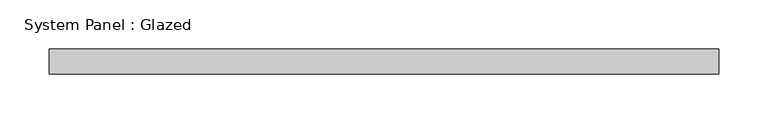
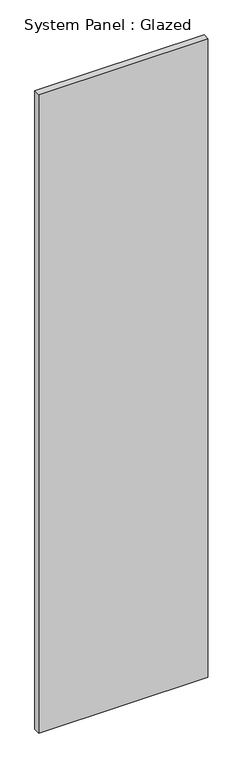
"""IFC4 building model written with IfcOpenShell, lengths in millimetres: plate geometry, System Panel : Glazed."""

from ifc_helpers import new_model, si_unit, origin, origin_with_axes, place, context, project, spatial, polyline, outline, extrude, source, transform, mapped, element, save


def system_panel_glazed_7c26079b(model_context):
    return source(origin(), model_context, "Body", "SweptSolid", [
        extrude(outline(polyline([(339.725, 19.05), (-339.725, 19.05), (-339.725, 44.45), (339.725, 44.45), (339.725, 19.05)])), origin_with_axes(), (0.0, 0.0, 1.0), 2711.45),
    ])


if __name__ == "__main__":
    model = new_model("IFC4")
    model_context = context("Model", 3, world=origin())
    ifc_project = project(units=[si_unit("LENGTHUNIT", "METRE", prefix="MILLI")], contexts=[model_context])
    site = spatial("IfcSite", under=ifc_project)
    building = spatial("IfcBuilding", under=site)
    placement = place(None, origin())
    system_panel_glazed_shape = system_panel_glazed_7c26079b(model_context)
    element("IfcPlate", 1, ObjectType="System Panel : Glazed", at=placement, inside=building, context=model_context, shape_type="MappedRepresentation", body=[
        mapped(system_panel_glazed_shape, transform((0.0, 0.0, 0.0), x_axis=(1.0, 0.0, 0.0), y_axis=(0.0, 1.0, 0.0), z_axis=(0.0, 0.0, 1.0))),
    ])
    save(model, "model.ifc")
